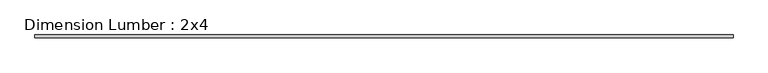
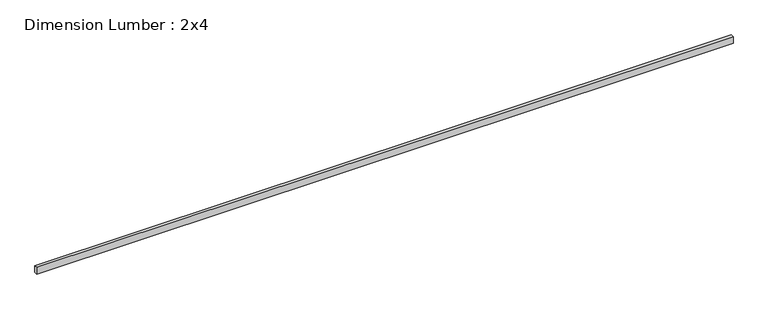
"""IFC4 building model written with IfcOpenShell, lengths in millimetres: beam geometry, Dimension Lumber : 2x4."""

from ifc_helpers import new_model, si_unit, frame, origin, place, context, project, spatial, polyline, outline, extrude, source, transform, mapped, element, save


def dimension_lumber_2x4_ce7acfe8(model_context):
    return source(origin(), model_context, "Body", "SweptSolid", [
        extrude(outline(polyline([(4327.525, 19.05), (4327.525, -19.05), (-4308.475, -19.05), (-4308.475, 19.05), (4327.525, 19.05)])), frame((0.0, 0.0, -44.45), z_axis=(0.0, 0.0, 1.0), x_axis=(1.0, 0.0, 0.0)), (0.0, 0.0, 1.0), 88.9),
    ])


if __name__ == "__main__":
    model = new_model("IFC4")
    model_context = context("Model", 3, world=origin())
    ifc_project = project(units=[si_unit("LENGTHUNIT", "METRE", prefix="MILLI")], contexts=[model_context])
    site = spatial("IfcSite", under=ifc_project)
    building = spatial("IfcBuilding", under=site)
    placement = place(None, origin())
    dimension_lumber_2x4_shape = dimension_lumber_2x4_ce7acfe8(model_context)
    element("IfcBeam", 1, ObjectType="Dimension Lumber : 2x4", at=placement, inside=building, context=model_context, shape_type="MappedRepresentation", body=[
        mapped(dimension_lumber_2x4_shape, transform((0.0, 0.0, 0.0), x_axis=(1.0, 0.0, 0.0), y_axis=(0.0, 1.0, 0.0), z_axis=(0.0, 0.0, 1.0))),
    ])
    save(model, "model.ifc")
